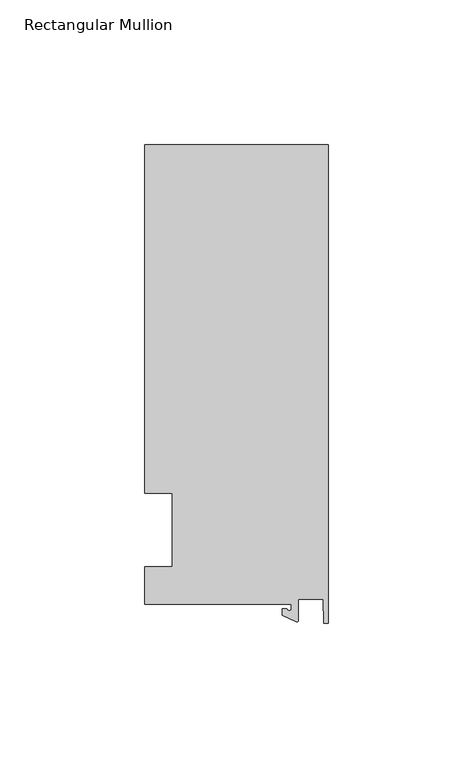
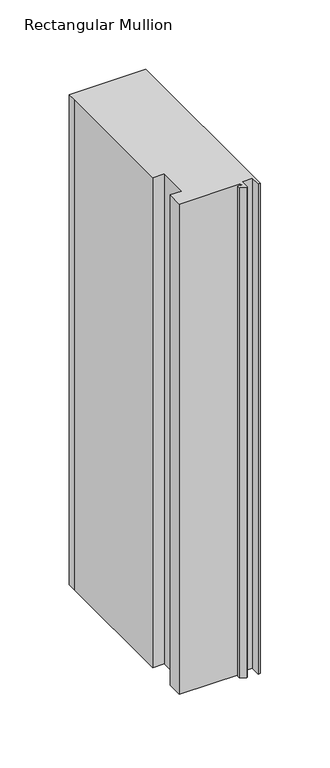
"""IFC4 building model written with IfcOpenShell, lengths in millimetres: member geometry, Rectangular Mullion."""

from ifc_helpers import new_model, si_unit, point, frame, frame_2d, origin, place, context, project, spatial, polyline, circle_curve, trimmed, segment, composite_curve, outline, extrude, source, transform, mapped, element, save


def rectangular_mullion_c92b44b8(model_context):
    return source(origin(), model_context, "Body", "SweptSolid", [
        extrude(outline(composite_curve([segment(polyline([(-12.6979967, -25.796875), (-63.5, -25.796875), (-63.5, -12.7), (-53.975, -12.7), (-53.975, 12.7), (-63.5, 12.7), (-63.5, 125.4797866), (-63.5, 133.2272736), (0.0, 133.2272736), (0.0, -32.288874), (-1.5658966, -32.288874), (-1.7144124, -23.9227662), (-10.3103967, -23.9227662), (-10.3103967, -31.3654561)]), True, "CONTINUOUS"), segment(trimmed(circle_curve(frame_2d((-10.8183967, -31.3654561)), 0.508), [point((-10.3103967, -31.3654561))], [point((-11.0330867, -31.8258605))], False, "CARTESIAN"), True, "CONTINUOUS"), segment(polyline([(-11.0330867, -31.8258605), (-15.8729967, -29.5689734), (-15.8729967, -27.2067741), (-14.2854967, -27.2067741)]), True, "CONTINUOUS"), segment(trimmed(circle_curve(frame_2d((-13.4917467, -27.2067741)), 0.79375), [point((-14.2854967, -27.2067741))], [point((-12.6979967, -27.2067741))], True, "CARTESIAN"), True, "CONTINUOUS"), segment(polyline([(-12.6979967, -27.2067741), (-12.6979967, -25.796875)]), True, "CONTINUOUS")], self_intersect=False)), frame((0.0, 0.0, -431.8), z_axis=(0.0, 0.0, 1.0), x_axis=(1.0, 0.0, 0.0)), (0.0, 0.0, 1.0), 431.8),
    ])


if __name__ == "__main__":
    model = new_model("IFC4")
    model_context = context("Model", 3, world=origin())
    ifc_project = project(units=[si_unit("LENGTHUNIT", "METRE", prefix="MILLI")], contexts=[model_context])
    site = spatial("IfcSite", under=ifc_project)
    building = spatial("IfcBuilding", under=site)
    placement = place(None, origin())
    rectangular_mullion_shape = rectangular_mullion_c92b44b8(model_context)
    element("IfcMember", 1, ObjectType="Rectangular Mullion", at=placement, inside=building, context=model_context, shape_type="MappedRepresentation", body=[
        mapped(rectangular_mullion_shape, transform((0.0, 0.0, 0.0), x_axis=(1.0, 0.0, 0.0), y_axis=(0.0, 1.0, 0.0), z_axis=(0.0, 0.0, 1.0))),
    ])
    save(model, "model.ifc")
